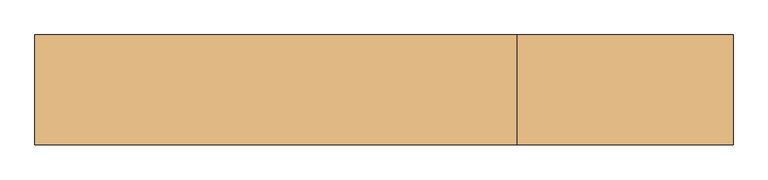
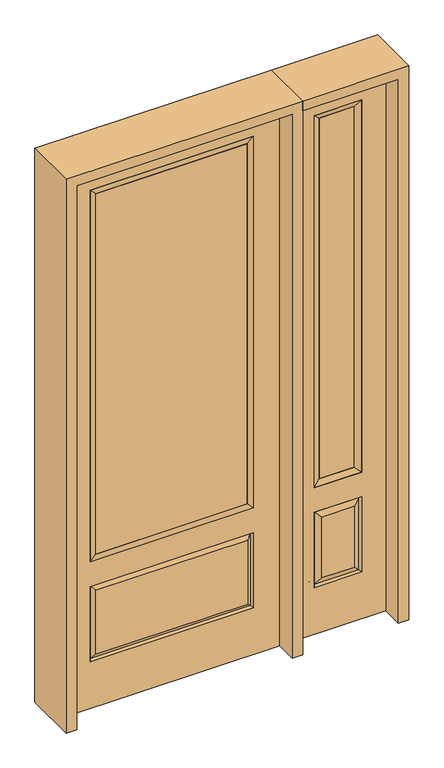
"""IFC4 building model written with IfcOpenShell, lengths in millimetres: door geometry."""

import ifcopenshell
import ifcopenshell.guid

model = None  # the IFC model being written
_history = None  # IfcOwnerHistory: only IFC2X3 demands one
_inside = {}  # id of a spatial element -> (the spatial element, [elements in it])
_under = {}  # id of a project, library or spatial element -> (it, [spatial elements below it])
_declared = {}  # id of a project -> (the project, [libraries it declares])
_typed = {}  # id of a type object -> (the type object, [elements of that type])
_made_of = {}  # id of a material, layer set ... -> (it, [elements and type objects made of it])


def new_model(schema):
    """Start an empty IFC model of exactly this schema.

    Asked for "IFC4X3", IfcOpenShell would pick the latest addendum, in which some entities
    have other attributes; the version numbers below select the first issue.
    IFC2X3 requires an IfcOwnerHistory on every rooted entity: one is made here for all.
    """
    global model, _history
    if schema == "IFC4X3":
        model = ifcopenshell.file(schema_version=(4, 3, 0, 0))
    else:
        model = ifcopenshell.file(schema=schema)
    _inside.clear()
    _under.clear()
    _declared.clear()
    _typed.clear()
    _made_of.clear()
    _history = None
    if model.schema == "IFC2X3":
        org = make("IfcOrganization", Name="unknown")
        user = make(
            "IfcPersonAndOrganization",
            ThePerson=make("IfcPerson", FamilyName="unknown"),
            TheOrganization=org,
        )
        app = make(
            "IfcApplication",
            ApplicationDeveloper=org,
            Version="unknown",
            ApplicationFullName="unknown",
            ApplicationIdentifier="unknown",
        )
        _history = make(
            "IfcOwnerHistory",
            OwningUser=user,
            OwningApplication=app,
            ChangeAction="ADDED",
            CreationDate=0,
        )
    return model


def make(cls, **values):
    """One entity of the class cls with the attributes given. An attribute that is None is left unset."""
    return model.create_entity(
        cls, **{name: value for name, value in values.items() if value is not None}
    )


def rooted(cls, **values):
    """An entity with a GlobalId (a new one), such as an element, a storey or a relation."""
    return make(cls, GlobalId=ifcopenshell.guid.new(), OwnerHistory=_history, **values)


def si_unit(unit_type, name, prefix=None):
    """IfcSIUnit, for example si_unit("LENGTHUNIT", "METRE", prefix="MILLI")."""
    return make("IfcSIUnit", UnitType=unit_type, Prefix=prefix, Name=name)


def assignment(units):
    """IfcUnitAssignment: the units of a project."""
    return None if units is None else make("IfcUnitAssignment", Units=units)


def point(xyz):
    """IfcCartesianPoint."""
    return None if xyz is None else make("IfcCartesianPoint", Coordinates=xyz)


def direction(xyz):
    """IfcDirection."""
    return None if xyz is None else make("IfcDirection", DirectionRatios=xyz)


def frame(location, z_axis=None, x_axis=None):
    """IfcAxis2Placement3D, a coordinate frame: its origin and axes. An axis left out is left unset."""
    return make(
        "IfcAxis2Placement3D",
        Location=point(location),
        Axis=direction(z_axis),
        RefDirection=direction(x_axis),
    )


def origin():
    """The frame at (0, 0, 0) with its axes left unset."""
    return frame((0.0, 0.0, 0.0))


def place(relative_to, where):
    """IfcLocalPlacement: puts the frame where relative to a parent placement (None: the world)."""
    return make(
        "IfcLocalPlacement", PlacementRelTo=relative_to, RelativePlacement=where
    )


def context(
    kind, dimensions, precision=None, world=None, true_north=None, identifier=None
):
    """IfcGeometricRepresentationContext, for example the 3D "Model" context."""
    return make(
        "IfcGeometricRepresentationContext",
        ContextIdentifier=identifier,
        ContextType=kind,
        CoordinateSpaceDimension=dimensions,
        Precision=precision,
        WorldCoordinateSystem=world,
        TrueNorth=true_north,
    )


def project(units=None, contexts=None):
    """IfcProject with its units and contexts."""
    return rooted(
        "IfcProject",
        Name="project",
        RepresentationContexts=contexts,
        UnitsInContext=assignment(units),
    )


def spatial(cls, under=None, at=None, **own):
    """A site, building, storey or space (cls), placed at a placement, below another one or the project."""
    s = rooted(cls, ObjectPlacement=at, **own)
    if under is not None:
        _under.setdefault(under.id(), (under, []))[1].append(s)
    return s


def polyline(points):
    """IfcPolyline through the points."""
    return make("IfcPolyline", Points=[point(p) for p in points])


def outline(outer, holes=None, kind="AREA"):
    """IfcArbitraryClosedProfileDef: a profile drawn as a closed curve; with holes, ...WithVoids."""
    if holes is None:
        return make("IfcArbitraryClosedProfileDef", ProfileType=kind, OuterCurve=outer)
    return make(
        "IfcArbitraryProfileDefWithVoids",
        ProfileType=kind,
        OuterCurve=outer,
        InnerCurves=holes,
    )


def extrude(swept, where, along, depth):
    """IfcExtrudedAreaSolid: the profile swept, set in the frame where, extruded along a direction by depth."""
    return make(
        "IfcExtrudedAreaSolid",
        SweptArea=swept,
        Position=where,
        ExtrudedDirection=direction(along),
        Depth=depth,
    )


def faces_of(points, faces, orient=None, outer=None):
    """IfcFace entities. A face is a list of loops; a loop is a list of indices into points, from 0.

    orient and outer hold one flag for each loop. By default every Orientation is true, the
    first loop of a face is its IfcFaceOuterBound and the others are IfcFaceBound.
    """
    made = []
    for i, loops in enumerate(faces):
        bounds = []
        for j, loop in enumerate(loops):
            is_outer = j == 0 if outer is None else outer[i][j]
            bounds.append(
                make(
                    "IfcFaceOuterBound" if is_outer else "IfcFaceBound",
                    Bound=make("IfcPolyLoop", Polygon=[points[k] for k in loop]),
                    Orientation=True if orient is None else orient[i][j],
                )
            )
        made.append(make("IfcFace", Bounds=bounds))
    return made


def faceted_brep(points, faces, orient=None, outer=None, voids=None):
    """IfcFacetedBrep: a solid bounded by flat faces; with voids (closed shells), ...WithVoids."""
    shared = [point(p) for p in points]
    hull = make("IfcClosedShell", CfsFaces=faces_of(shared, faces, orient, outer))
    if voids is None:
        return make("IfcFacetedBrep", Outer=hull)
    return make(
        "IfcFacetedBrepWithVoids",
        Outer=hull,
        Voids=[
            make(cls, CfsFaces=faces_of(shared, fs, o, b)) for cls, fs, o, b in voids
        ],
    )


def shape(context_of_items, identifier, shape_type, items):
    """IfcShapeRepresentation: the items that make up one representation, for example the "Body"."""
    return make(
        "IfcShapeRepresentation",
        ContextOfItems=context_of_items,
        RepresentationIdentifier=identifier,
        RepresentationType=shape_type,
        Items=items,
    )


def source(mapping_origin, context_of_items, identifier, shape_type, items):
    """IfcRepresentationMap: a shape defined once, which mapped items show again and again."""
    return make(
        "IfcRepresentationMap",
        MappingOrigin=mapping_origin,
        MappedRepresentation=shape(context_of_items, identifier, shape_type, items),
    )


def transform(
    local_origin,
    x_axis=None,
    y_axis=None,
    z_axis=None,
    scale=None,
    scale2=None,
    scale3=None,
    uniform=True,
):
    """IfcCartesianTransformationOperator3D, or its non-uniform kind. x_axis, y_axis, z_axis: its Axis1, 2, 3."""
    if uniform:
        return make(
            "IfcCartesianTransformationOperator3D",
            Axis1=direction(x_axis),
            Axis2=direction(y_axis),
            LocalOrigin=point(local_origin),
            Scale=scale,
            Axis3=direction(z_axis),
        )
    return make(
        "IfcCartesianTransformationOperator3DnonUniform",
        Axis1=direction(x_axis),
        Axis2=direction(y_axis),
        LocalOrigin=point(local_origin),
        Scale=scale,
        Axis3=direction(z_axis),
        Scale2=scale2,
        Scale3=scale3,
    )


def mapped(mapping_source, mapping_target):
    """IfcMappedItem: shows the shape of a source again, moved by a transform."""
    return make(
        "IfcMappedItem", MappingSource=mapping_source, MappingTarget=mapping_target
    )


def made_of(thing, what):
    """Note that an element or type object is made of a material, layer set ...; save() writes the relation."""
    if what is not None:
        _made_of.setdefault(what.id(), (what, []))[1].append(thing)
    return thing


def element(
    cls,
    number,
    at=None,
    inside=None,
    cuts=None,
    type_object=None,
    material=None,
    context=None,
    identifier="Body",
    shape_type=None,
    held_by="IfcProductDefinitionShape",
    body=None,
    shapes=None,
    **own,
):
    """One element of the class cls, such as IfcWall. Its Tag is "e" and its number.

    at: its placement. inside: the storey or other place that contains it. cuts: it is an
    opening in that element (IfcRelVoidsElement). A single representation is given by context,
    identifier, shape_type and body (its items); several are given by shapes. held_by: the class
    of the entity that holds the representations. save() writes the other relations.
    """
    e = rooted(cls, Tag="e%d" % number, ObjectPlacement=at, **own)
    if body is not None:
        shapes = [shape(context, identifier, shape_type, body)]
    if shapes is not None:
        e.Representation = make(held_by, Representations=shapes)
    if inside is not None:
        _inside.setdefault(inside.id(), (inside, []))[1].append(e)
    if cuts is not None:
        rooted(
            "IfcRelVoidsElement", RelatingBuildingElement=cuts, RelatedOpeningElement=e
        )
    if type_object is not None:
        _typed.setdefault(type_object.id(), (type_object, []))[1].append(e)
    return made_of(e, material)


def aggregate(whole, parts):
    """IfcRelAggregates: a whole, such as a stair, and the parts it consists of."""
    return rooted("IfcRelAggregates", RelatingObject=whole, RelatedObjects=parts)


def save(model, path):
    """Write the relations noted so far, then the file.

    IfcRelAggregates (storeys below a building ...), IfcRelContainedInSpatialStructure (elements
    in a storey), IfcRelDefinesByType, IfcRelAssociatesMaterial and IfcRelDeclares: one each for
    every whole, place, type object, material and project.
    """
    for whole, parts in _under.values():
        aggregate(whole, parts)
    for where, things in _inside.values():
        rooted(
            "IfcRelContainedInSpatialStructure",
            RelatedElements=things,
            RelatingStructure=where,
        )
    for kind, things in _typed.values():
        rooted("IfcRelDefinesByType", RelatedObjects=things, RelatingType=kind)
    for what, things in _made_of.values():
        rooted("IfcRelAssociatesMaterial", RelatedObjects=things, RelatingMaterial=what)
    for by, libraries in _declared.values():
        rooted("IfcRelDeclares", RelatingContext=by, RelatedDefinitions=libraries)
    model.write(path)


def door_1dafa87b(model_context):
    return source(origin(), model_context, "Body", "SolidModel", [
        faceted_brep([(501.65, -22.225, 0.0), (908.05, -22.225, 0.0), (908.05, -22.225, 2438.4), (501.65, -22.225, 2438.4), (805.18, -22.225, 2325.624), (805.18, -22.225, 657.098), (604.52, -22.225, 657.098), (604.52, -22.225, 2325.624), (805.18, -22.225, 209.55), (604.52, -22.225, 209.55), (604.52, -22.225, 546.1), (805.18, -22.225, 546.1), (636.2351001, -22.225, 241.2651001), (773.4648999, -22.225, 241.2651001), (773.4648999, -22.225, 514.3848999), (636.2351001, -22.225, 514.3848999), (501.65, 22.225, 0.0), (501.65, 22.225, 2438.4), (908.05, 22.225, 2438.4), (908.05, 22.225, 0.0), (805.18, 22.225, 2325.624), (604.52, 22.225, 2325.624), (604.52, 22.225, 657.098), (805.18, 22.225, 657.098), (604.52, 22.225, 209.55), (805.18, 22.225, 209.55), (805.18, 22.225, 546.1), (604.52, 22.225, 546.1), (773.4648999, 22.225, 241.2651001), (636.2351001, 22.225, 241.2651001), (636.2351001, 22.225, 514.3848999), (773.4648999, 22.225, 514.3848999), (798.0711499, 12.7912373, 216.6588501), (611.6288501, 12.7912373, 216.6588501), (611.6288501, 12.7912373, 538.9911499), (798.0711499, 12.7912373, 538.9911499), (611.6288501, -12.7912373, 216.6588501), (798.0711499, -12.7912373, 216.6588501), (611.6288501, -12.7912373, 538.9911499), (798.0711499, -12.7912373, 538.9911499)], [[[0, 1, 2, 3], [4, 5, 6, 7], [8, 9, 10, 11]], [[12, 13, 14, 15]], [[16, 17, 18, 19], [20, 21, 22, 23], [24, 25, 26, 27]], [[28, 29, 30, 31]], [[1, 0, 16, 19]], [[2, 1, 19, 18]], [[3, 2, 18, 17]], [[0, 3, 17, 16]], [[5, 4, 20, 23]], [[6, 5, 23, 22]], [[7, 6, 22, 21]], [[4, 7, 21, 20]], [[32, 33, 29, 28]], [[33, 32, 25, 24]], [[29, 33, 34, 30]], [[33, 24, 27, 34]], [[30, 34, 35, 31]], [[34, 27, 26, 35]], [[32, 28, 31, 35]], [[25, 32, 35, 26]], [[12, 36, 37, 13]], [[37, 36, 9, 8]], [[36, 12, 15, 38]], [[9, 36, 38, 10]], [[38, 15, 14, 39]], [[10, 38, 39, 11]], [[13, 37, 39, 14]], [[37, 8, 11, 39]]]),
        faceted_brep([(604.52, 22.225, 2325.624), (604.52, -22.225, 2325.624), (805.18, -22.225, 2325.624), (805.18, 22.225, 2325.624), (629.92, 12.7, 2300.224), (779.78, 12.7, 2300.224), (629.92, -12.7, 2300.224), (779.78, -12.7, 2300.224), (805.18, -22.225, 657.098), (805.18, 22.225, 657.098), (779.78, 12.7, 682.498), (779.78, -12.7, 682.498), (604.52, -22.225, 657.098), (604.52, 22.225, 657.098), (629.92, 12.7, 682.498), (629.92, -12.7, 682.498)], [[[0, 1, 2, 3]], [[4, 0, 3, 5]], [[6, 4, 5, 7]], [[1, 6, 7, 2]], [[3, 2, 8, 9]], [[5, 3, 9, 10]], [[7, 5, 10, 11]], [[2, 7, 11, 8]], [[9, 8, 12, 13]], [[10, 9, 13, 14]], [[11, 10, 14, 15]], [[8, 11, 15, 12]], [[13, 12, 1, 0]], [[14, 13, 0, 4]], [[15, 14, 4, 6]], [[12, 15, 6, 1]]]),
        extrude(outline(polyline([(779.78, -12.7), (629.92, -12.7), (629.92, 12.7), (779.78, 12.7), (779.78, -12.7)])), frame((0.0, 0.0, 682.498), z_axis=(0.0, 0.0, 1.0), x_axis=(1.0, 0.0, 0.0)), (0.0, 0.0, 1.0), 1617.726),
        extrude(outline(polyline([(320.675, -20.32), (-320.675, -20.32), (-320.675, 5.08), (320.675, 5.08), (320.675, -20.32)])), frame((0.0, 0.0, 682.498), z_axis=(0.0, 0.0, 1.0), x_axis=(1.0, 0.0, 0.0)), (0.0, 0.0, 1.0), 1616.202),
        faceted_brep([(-338.9661499, -12.7912373, 216.6588501), (338.9661499, -12.7912373, 216.6588501), (321.46875, -22.225, 234.15625), (-321.46875, -22.225, 234.15625), (-346.075, -22.225, 209.55), (346.075, -22.225, 209.55), (-338.9661499, -12.7912373, 538.9911499), (-346.075, -22.225, 546.1), (321.46875, -22.225, 521.49375), (-321.46875, -22.225, 521.49375), (457.2, -22.225, 2438.4), (-457.2, -22.225, 2438.4), (-457.2, -22.225, 0.0), (457.2, -22.225, 0.0), (346.075, -22.225, 546.1), (346.075, -22.225, 2324.1), (346.075, -22.225, 657.098), (-346.075, -22.225, 657.098), (-346.075, -22.225, 2324.1), (338.9661499, -12.7912373, 538.9911499), (-457.2, 22.225, 2438.4), (-457.2, 22.225, 0.0), (457.2, 22.225, 0.0), (457.2, 22.225, 2438.4), (346.075, 22.225, 2324.1), (346.075, 22.225, 657.098), (-346.075, 22.225, 657.098), (-346.075, 22.225, 2324.1), (-346.075, 22.225, 209.55), (346.075, 22.225, 209.55), (346.075, 22.225, 546.1), (-346.075, 22.225, 546.1), (321.46875, 22.225, 234.15625), (-321.46875, 22.225, 234.15625), (-321.46875, 22.225, 521.49375), (321.46875, 22.225, 521.49375), (-338.9661499, 12.7912373, 216.6588501), (338.9661499, 12.7912373, 216.6588501), (338.9661499, 12.7912373, 538.9911499), (-338.9661499, 12.7912373, 538.9911499)], [[[0, 1, 2, 3]], [[1, 0, 4, 5]], [[4, 0, 6, 7]], [[3, 2, 8, 9]], [[10, 11, 12, 13], [5, 4, 7, 14], [15, 16, 17, 18]], [[1, 5, 14, 19]], [[2, 1, 19, 8]], [[0, 3, 9, 6]], [[7, 6, 19, 14]], [[6, 9, 8, 19]], [[12, 11, 20, 21]], [[13, 12, 21, 22]], [[10, 13, 22, 23]], [[16, 15, 24, 25]], [[17, 16, 25, 26]], [[18, 17, 26, 27]], [[23, 22, 21, 20], [28, 29, 30, 31], [24, 27, 26, 25]], [[32, 33, 34, 35]], [[28, 36, 37, 29]], [[29, 37, 38, 30]], [[39, 31, 30, 38]], [[36, 28, 31, 39]], [[37, 36, 33, 32]], [[33, 36, 39, 34]], [[34, 39, 38, 35]], [[37, 32, 35, 38]], [[11, 10, 23, 20]], [[15, 18, 27, 24]]]),
        faceted_brep([(-346.075, -22.225, 2324.1), (-346.075, 22.225, 2324.1), (-346.075, 22.225, 657.098), (-346.075, -22.225, 657.098), (346.075, 22.225, 657.098), (346.075, -22.225, 657.098), (-320.675, 5.08, 682.498), (320.675, 5.08, 682.498), (346.075, 22.225, 2324.1), (346.075, -22.225, 2324.1), (-320.675, -20.32, 682.498), (320.675, -20.32, 682.498), (-320.675, -20.32, 2298.7), (320.675, -20.32, 2298.7), (-320.675, 5.08, 2298.7), (320.675, 5.08, 2298.7)], [[[0, 1, 2, 3]], [[3, 2, 4, 5]], [[2, 6, 7, 4]], [[5, 4, 8, 9]], [[10, 3, 5, 11]], [[12, 0, 3, 10]], [[11, 5, 9, 13]], [[6, 10, 11, 7]], [[14, 12, 10, 6]], [[7, 11, 13, 15]], [[1, 14, 6, 2]], [[4, 7, 15, 8]], [[9, 8, 1, 0]], [[13, 9, 0, 12]], [[15, 13, 12, 14]], [[8, 15, 14, 1]]]),
        extrude(outline(polyline([(2482.85, -501.65), (0.0, -501.65), (0.0, -457.2), (2438.4, -457.2), (2438.4, 457.2), (0.0, 457.2), (0.0, 501.65), (2482.85, 501.65), (2482.85, -501.65)])), frame((0.0, -114.3, 0.0), z_axis=(0.0, 1.0, 0.0), x_axis=(0.0, 0.0, 1.0)), (0.0, 0.0, 1.0), 228.6),
        extrude(outline(polyline([(0.0, 908.05), (0.0, 952.5), (2482.85, 952.5), (2482.85, 501.65), (2438.4, 501.65), (2438.4, 908.05), (0.0, 908.05)])), frame((0.0, -114.3, 0.0), z_axis=(0.0, 1.0, 0.0), x_axis=(0.0, 0.0, 1.0)), (0.0, 0.0, 1.0), 228.6),
    ])


if __name__ == "__main__":
    model = new_model("IFC4")
    model_context = context("Model", 3, world=origin())
    ifc_project = project(units=[si_unit("LENGTHUNIT", "METRE", prefix="MILLI")], contexts=[model_context])
    site = spatial("IfcSite", under=ifc_project)
    building = spatial("IfcBuilding", under=site)
    placement = place(None, origin())
    door_shape = door_1dafa87b(model_context)
    element("IfcDoor", 1, at=placement, inside=building, context=model_context, shape_type="MappedRepresentation", body=[
        mapped(door_shape, transform((0.0, 0.0, 0.0), x_axis=(1.0, 0.0, 0.0), y_axis=(0.0, 1.0, 0.0), z_axis=(0.0, 0.0, 1.0))),
    ])
    save(model, "model.ifc")
